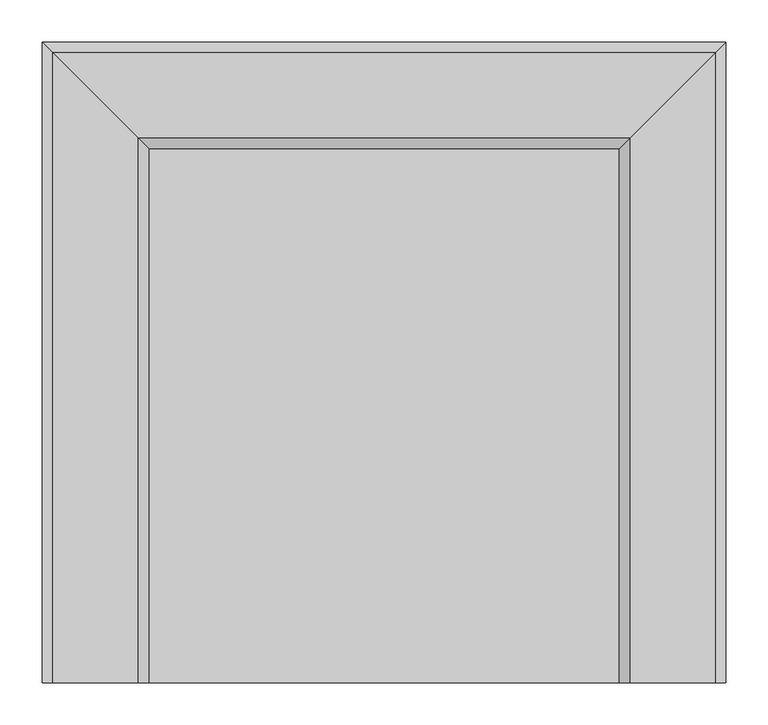
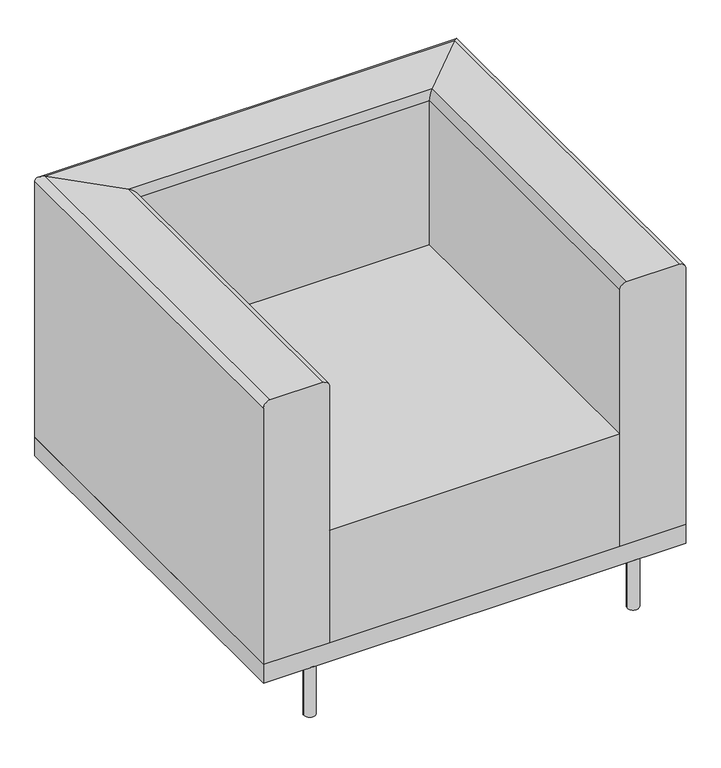
"""IFC4 building model written with IfcOpenShell, lengths in millimetres: furniture geometry."""

from ifc_helpers import new_model, si_unit, point, frame, frame_2d, origin, origin_with_axes, place, context, project, spatial, polyline, circle_curve, ellipse_curve, trimmed, segment, composite_curve, outline, extrude, source, transform, mapped, element, save
from ifc_brep_helpers import plane_surface, cylinder_surface, advanced_brep


def furniture_68a865a6(model_context):
    return source(origin(), model_context, "Body", "SolidModel", [
        extrude(outline(composite_curve([segment(trimmed(circle_curve(frame_2d((884.5237705, 836.6645492)), 11.1125), [point((895.6362705, 836.6645492))], [point((873.4112705, 836.6645492))], False, "CARTESIAN"), True, "CONTINUOUS"), segment(trimmed(circle_curve(frame_2d((884.5237705, 836.6645492)), 11.1125), [point((873.4112705, 836.6645492))], [point((895.6362705, 836.6645492))], False, "CARTESIAN"), True, "CONTINUOUS")], self_intersect=False)), origin_with_axes(), (0.0, 0.0, 1.0), 101.6),
        extrude(outline(composite_curve([segment(trimmed(circle_curve(frame_2d((262.2237705, 836.6645492)), 11.1125), [point((273.3362705, 836.6645492))], [point((251.1112705, 836.6645492))], False, "CARTESIAN"), True, "CONTINUOUS"), segment(trimmed(circle_curve(frame_2d((262.2237705, 836.6645492)), 11.1125), [point((251.1112705, 836.6645492))], [point((273.3362705, 836.6645492))], False, "CARTESIAN"), True, "CONTINUOUS")], self_intersect=False)), origin_with_axes(), (0.0, 0.0, 1.0), 101.6),
        advanced_brep(
        [(166.9737705, 85.7770492, 139.7), (293.9737705, 85.7770492, 139.7), (293.9737705, 85.7770492, 660.4), (281.2737705, 85.7770492, 673.1), (179.6737705, 85.7770492, 673.1), (166.9737705, 85.7770492, 660.4), (166.9737705, 847.7770492, 139.7), (293.9737705, 720.7770492, 139.7), (293.9737705, 720.7770492, 660.4), (281.2737705, 733.4770492, 673.1), (179.6737705, 835.0770492, 673.1), (166.9737705, 847.7770492, 660.4), (979.7737705, 847.7770492, 139.7), (852.7737705, 720.7770492, 139.7), (852.7737705, 720.7770492, 660.4), (865.4737705, 733.4770492, 673.1), (967.0737705, 835.0770492, 673.1), (979.7737705, 847.7770492, 660.4), (979.7737705, 85.7770492, 139.7), (979.7737705, 85.7770492, 660.4), (967.0737705, 85.7770492, 673.1), (865.4737705, 85.7770492, 673.1), (852.7737705, 85.7770492, 660.4), (852.7737705, 85.7770492, 139.7)],
        [
            (0, 1),
            (1, 2),
            (2, 3, circle_curve(frame((281.2737705, 85.7770492, 660.4), z_axis=(0.0, -1.0, 0.0), x_axis=(-1.0, 0.0, 0.0)), 12.7)),
            (3, 4),
            (4, 5, circle_curve(frame((179.6737705, 85.7770492, 660.4), z_axis=(0.0, -1.0, 0.0), x_axis=(-1.0, 0.0, 0.0)), 12.7)),
            (5, 0),
            (0, 6),
            (6, 7),
            (7, 1),
            (7, 8),
            (8, 2),
            (8, 9, ellipse_curve(frame((281.2737705, 733.4770492, 660.4), z_axis=(-0.7071067811865475, -0.7071067811865475, 0.0), x_axis=(0.7071067811865474, -0.7071067811865476, 0.0)), 17.9605122, 12.7)),
            (9, 3),
            (9, 10),
            (10, 4),
            (10, 11, ellipse_curve(frame((179.6737705, 835.0770492, 660.4), z_axis=(-0.7071067811865475, -0.7071067811865475, 0.0), x_axis=(0.7071067811865474, -0.7071067811865476, 0.0)), 17.9605122, 12.7)),
            (11, 5),
            (11, 6),
            (6, 12),
            (12, 13),
            (13, 7),
            (13, 14),
            (14, 8),
            (14, 15, ellipse_curve(frame((865.4737705, 733.4770492, 660.4), z_axis=(-0.7071067811865475, 0.7071067811865475, 0.0), x_axis=(-0.7071067811865476, -0.7071067811865474, 0.0)), 17.9605122, 12.7)),
            (15, 9),
            (15, 16),
            (16, 10),
            (16, 17, ellipse_curve(frame((967.0737705, 835.0770492, 660.4), z_axis=(-0.7071067811865475, 0.7071067811865475, 0.0), x_axis=(-0.7071067811865476, -0.7071067811865474, 0.0)), 17.9605122, 12.7)),
            (17, 11),
            (17, 12),
            (18, 19),
            (19, 20, circle_curve(frame((967.0737705, 85.7770492, 660.4), z_axis=(0.0, -1.0, 0.0), x_axis=(1.0, 0.0, 0.0)), 12.7)),
            (20, 21),
            (21, 22, circle_curve(frame((865.4737705, 85.7770492, 660.4), z_axis=(0.0, -1.0, 0.0), x_axis=(1.0, 0.0, 0.0)), 12.7)),
            (22, 23),
            (23, 18),
            (12, 18),
            (23, 13),
            (22, 14),
            (21, 15),
            (20, 16),
            (19, 17),
        ],
        [
            plane_surface(frame((-515.7619763, 85.7770492, 0.0), z_axis=(0.0, -1.0, 0.0), x_axis=(0.0, 0.0, 1.0))),
            plane_surface(frame((166.9737705, 85.7770492, 139.7), z_axis=(0.0, 0.0, -1.0), x_axis=(0.0, 1.0, 0.0))),
            plane_surface(frame((293.9737705, 85.7770492, 139.7), z_axis=(1.0, 0.0, 0.0), x_axis=(0.0, 1.0, 0.0))),
            cylinder_surface(frame((281.2737705, 85.7770492, 660.4), z_axis=(0.0, -1.0, 0.0), x_axis=(-1.0, 0.0, 0.0)), 12.7),
            plane_surface(frame((281.2737705, 85.7770492, 673.1), z_axis=(0.0, 0.0, 1.0), x_axis=(0.0, 1.0, 0.0))),
            cylinder_surface(frame((179.6737705, 85.7770492, 660.4), z_axis=(0.0, -1.0, 0.0), x_axis=(-1.0, 0.0, 0.0)), 12.7),
            plane_surface(frame((166.9737705, 85.7770492, 660.4), z_axis=(-1.0, 0.0, 0.0), x_axis=(0.0, 1.0, 0.0))),
            plane_surface(frame((166.9737705, 847.7770492, 139.7), z_axis=(0.0, 0.0, -1.0), x_axis=(1.0, 0.0, 0.0))),
            plane_surface(frame((293.9737705, 720.7770492, 139.7), z_axis=(0.0, -1.0, 0.0), x_axis=(1.0, 0.0, 0.0))),
            cylinder_surface(frame((166.9737705, 733.4770492, 660.4), z_axis=(-1.0, 0.0, 0.0), x_axis=(0.0, 1.0, 0.0)), 12.7),
            plane_surface(frame((281.2737705, 733.4770492, 673.1), z_axis=(0.0, 0.0, 1.0), x_axis=(1.0, 0.0, 0.0))),
            cylinder_surface(frame((166.9737705, 835.0770492, 660.4), z_axis=(-1.0, 0.0, 0.0), x_axis=(0.0, 1.0, 0.0)), 12.7),
            plane_surface(frame((166.9737705, 847.7770492, 660.4), z_axis=(0.0, 1.0, 0.0), x_axis=(1.0, 0.0, 0.0))),
            plane_surface(frame((297.0380237, 85.7770492, 0.0), z_axis=(0.0, -1.0, 0.0), x_axis=(0.0, 0.0, -1.0))),
            plane_surface(frame((979.7737705, 847.7770492, 139.7), z_axis=(0.0, 0.0, -1.0), x_axis=(0.0, -1.0, 0.0))),
            plane_surface(frame((852.7737705, 720.7770492, 139.7), z_axis=(-1.0, 0.0, 0.0), x_axis=(0.0, -1.0, 0.0))),
            cylinder_surface(frame((865.4737705, 847.7770492, 660.4), z_axis=(0.0, 1.0, 0.0), x_axis=(1.0, 0.0, 0.0)), 12.7),
            plane_surface(frame((865.4737705, 733.4770492, 673.1), z_axis=(0.0, 0.0, 1.0), x_axis=(0.0, -1.0, 0.0))),
            cylinder_surface(frame((967.0737705, 847.7770492, 660.4), z_axis=(0.0, 1.0, 0.0), x_axis=(1.0, 0.0, 0.0)), 12.7),
            plane_surface(frame((979.7737705, 847.7770492, 660.4), z_axis=(1.0, 0.0, 0.0), x_axis=(0.0, -1.0, 0.0))),
        ],
        [
            (0, [[1, 2, 3, 4, 5, 6]]),
            (1, [[-1, 7, 8, 9]]),
            (2, [[-2, -9, 10, 11]]),
            (3, [[-3, -11, 12, 13]]),
            (4, [[-4, -13, 14, 15]]),
            (5, [[-5, -15, 16, 17]]),
            (6, [[-6, -17, 18, -7]]),
            (7, [[-8, 19, 20, 21]]),
            (8, [[-10, -21, 22, 23]]),
            (9, [[-12, -23, 24, 25]]),
            (10, [[-14, -25, 26, 27]]),
            (11, [[-16, -27, 28, 29]]),
            (12, [[-18, -29, 30, -19]]),
            (13, [[31, 32, 33, 34, 35, 36]]),
            (14, [[-20, 37, -36, 38]]),
            (15, [[-22, -38, -35, 39]]),
            (16, [[-24, -39, -34, 40]]),
            (17, [[-26, -40, -33, 41]]),
            (18, [[-28, -41, -32, 42]]),
            (19, [[-30, -42, -31, -37]]),
        ],
    ),
        extrude(outline(composite_curve([segment(trimmed(circle_curve(frame_2d((884.5237705, 96.8895492)), 11.1125), [point((895.6362705, 96.8895492))], [point((873.4112705, 96.8895492))], False, "CARTESIAN"), True, "CONTINUOUS"), segment(trimmed(circle_curve(frame_2d((884.5237705, 96.8895492)), 11.1125), [point((873.4112705, 96.8895492))], [point((895.6362705, 96.8895492))], False, "CARTESIAN"), True, "CONTINUOUS")], self_intersect=False)), origin_with_axes(), (0.0, 0.0, 1.0), 101.6),
        extrude(outline(composite_curve([segment(trimmed(circle_curve(frame_2d((262.2237705, 96.8895492)), 11.1125), [point((273.3362705, 96.8895492))], [point((251.1112705, 96.8895492))], False, "CARTESIAN"), True, "CONTINUOUS"), segment(trimmed(circle_curve(frame_2d((262.2237705, 96.8895492)), 11.1125), [point((251.1112705, 96.8895492))], [point((273.3362705, 96.8895492))], False, "CARTESIAN"), True, "CONTINUOUS")], self_intersect=False)), origin_with_axes(), (0.0, 0.0, 1.0), 101.6),
        extrude(outline(polyline([(852.7737705, 720.7770492), (852.7737705, 85.7770492), (293.9737705, 85.7770492), (293.9737705, 720.7770492), (852.7737705, 720.7770492)])), frame((0.0, 0.0, 139.7), z_axis=(0.0, 0.0, 1.0), x_axis=(1.0, 0.0, 0.0)), (0.0, 0.0, 1.0), 228.6),
        extrude(outline(polyline([(979.7737705, 847.7770492), (979.7737705, 85.7770492), (166.9737705, 85.7770492), (166.9737705, 847.7770492), (979.7737705, 847.7770492)])), frame((0.0, 0.0, 101.6), z_axis=(0.0, 0.0, 1.0), x_axis=(1.0, 0.0, 0.0)), (0.0, 0.0, 1.0), 38.1),
    ])


if __name__ == "__main__":
    model = new_model("IFC4")
    model_context = context("Model", 3, world=origin())
    ifc_project = project(units=[si_unit("LENGTHUNIT", "METRE", prefix="MILLI")], contexts=[model_context])
    site = spatial("IfcSite", under=ifc_project)
    building = spatial("IfcBuilding", under=site)
    placement = place(None, origin())
    furniture_shape = furniture_68a865a6(model_context)
    element("IfcFurniture", 1, at=placement, inside=building, context=model_context, shape_type="MappedRepresentation", body=[
        mapped(furniture_shape, transform((0.0, 0.0, 0.0), x_axis=(1.0, 0.0, 0.0), y_axis=(0.0, 1.0, 0.0), z_axis=(0.0, 0.0, 1.0))),
    ])
    save(model, "model.ifc")
